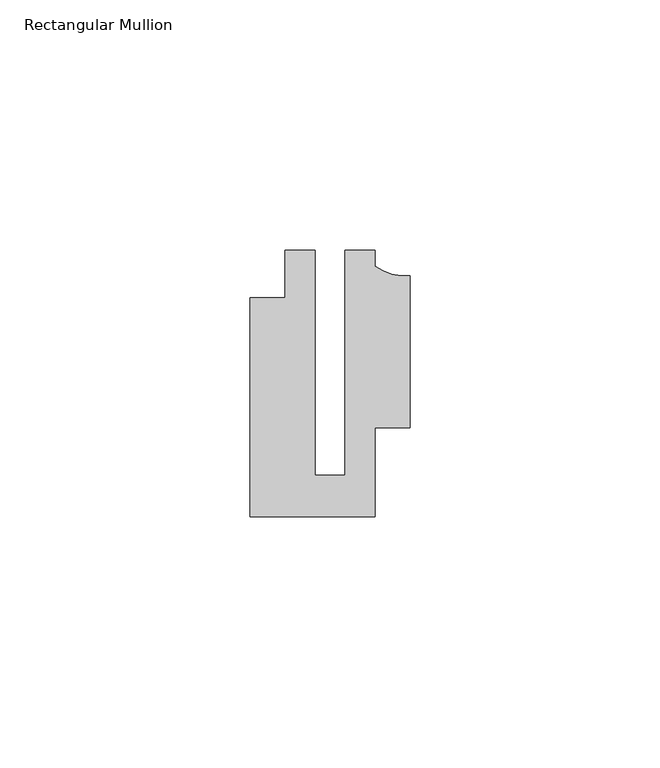
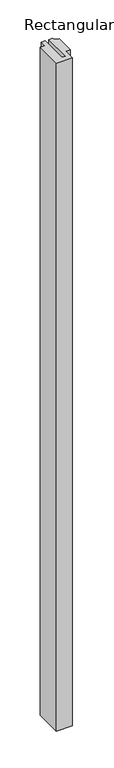
"""IFC4 building model written with IfcOpenShell, lengths in millimetres: member geometry, Rectangular Mullion."""

from ifc_helpers import new_model, si_unit, point, frame, frame_2d, origin, place, context, project, spatial, polyline, circle_curve, trimmed, segment, composite_curve, outline, extrude, source, transform, mapped, element, save


def rectangular_mullion_6421556b(model_context):
    return source(origin(), model_context, "Body", "SweptSolid", [
        extrude(outline(composite_curve([segment(polyline([(15.9999391, -14.9953356), (9.0, -14.9953356), (9.0, -32.7960123), (-15.9999391, -32.7960123), (-15.9999391, 11.0039877), (-8.9999842, 11.0039877), (-8.9999842, 20.5039877), (-2.9999659, 20.5039877), (-2.9999659, -24.5130805), (2.9999676, -24.5130805), (2.9999676, 20.5039877), (8.9999842, 20.5039877), (8.9999842, 17.3165203)]), True, "CONTINUOUS"), segment(trimmed(circle_curve(frame_2d((15.1098019, 25.802169)), 10.4563907), [point((8.9999842, 17.3165203))], [point((15.9999391, 15.3837352))], True, "CARTESIAN"), True, "CONTINUOUS"), segment(polyline([(15.9999391, 15.3837352), (15.9999391, -14.9953356)]), True, "CONTINUOUS")], self_intersect=False)), frame((0.0, 0.0, -1107.4975005), z_axis=(0.0, 0.0, 1.0), x_axis=(1.0, 0.0, 0.0)), (0.0, 0.0, 1.0), 1107.4975005),
    ])


if __name__ == "__main__":
    model = new_model("IFC4")
    model_context = context("Model", 3, world=origin())
    ifc_project = project(units=[si_unit("LENGTHUNIT", "METRE", prefix="MILLI")], contexts=[model_context])
    site = spatial("IfcSite", under=ifc_project)
    building = spatial("IfcBuilding", under=site)
    placement = place(None, origin())
    rectangular_mullion_shape = rectangular_mullion_6421556b(model_context)
    element("IfcMember", 1, ObjectType="Rectangular Mullion", at=placement, inside=building, context=model_context, shape_type="MappedRepresentation", body=[
        mapped(rectangular_mullion_shape, transform((0.0, 0.0, 0.0), x_axis=(1.0, 0.0, 0.0), y_axis=(0.0, 1.0, 0.0), z_axis=(0.0, 0.0, 1.0))),
    ])
    save(model, "model.ifc")
